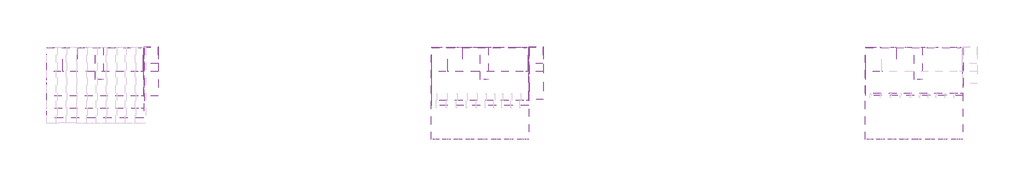
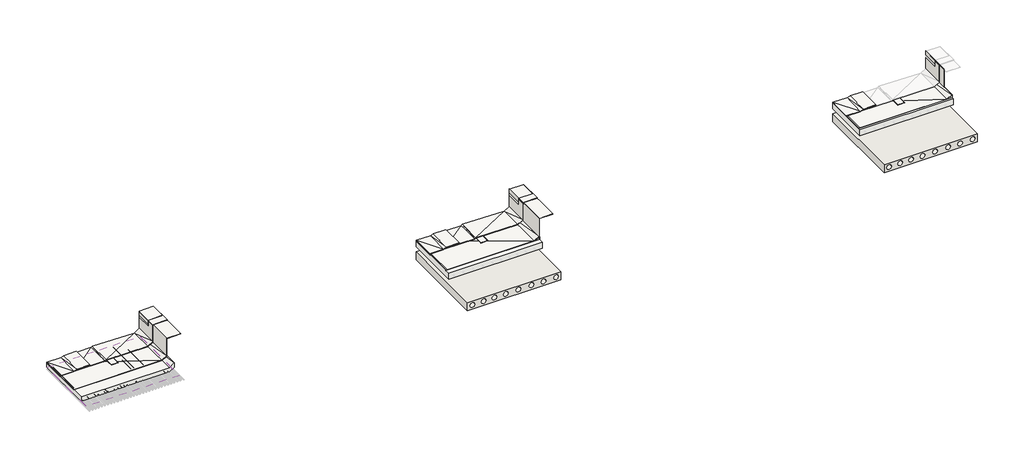
# One storey, part 1 of 2: 22 slabs, 11 walls, 1 covering.
"""IFC4 building model written with IfcOpenShell, lengths in millimetres."""

from ifc_helpers import new_model, si_unit, point, frame, frame_2d, origin, place, context, project, spatial, polyline, circle_curve, trimmed, segment, composite_curve, outline, extrude, faceted_brep, element, save

model = new_model("IFC4")

# Units and contexts
model_context = context("Model", 3, world=origin())
ifc_project = project(units=[si_unit("LENGTHUNIT", "METRE", prefix="MILLI")], contexts=[model_context])

# Site, building, storey
site = spatial("IfcSite", under=ifc_project)
building = spatial("IfcBuilding", under=site)
storey = spatial("IfcBuildingStorey", under=building, Elevation=0.0)

# Covering
placement = place(None, origin())
element("IfcCovering", 1, at=placement, inside=storey, context=model_context, shape_type="SweptSolid", body=[
    extrude(outline(polyline([(-14927.9698848, 9389.2447161), (-14927.9698848, 13789.2447161), (-8927.9698848, 13789.2447161), (-8927.9698848, 9389.2447161), (-14927.9698848, 9389.2447161)])), frame((0.0, 0.0, 2812.7066929), z_axis=(0.0, 0.0, 1.0), x_axis=(1.0, 0.0, 0.0)), (0.0, 0.0, 1.0), 14.0),
])

# Slabs
element("IfcSlab", 2, at=placement, inside=storey, context=model_context, shape_type="SweptSolid", body=[
    extrude(outline(polyline([(8835.4090394, 10149.2447161), (8835.4090394, 13769.2447161), (14835.4090394, 13769.2447161), (14835.4090394, 10149.2447161), (8835.4090394, 10149.2447161)])), frame((0.0, 0.0, 2689.492241), z_axis=(0.0, 0.0, 1.0), x_axis=(1.0, 0.0, 0.0)), (0.0, 0.0, 1.0), 400.0),
])
element("IfcSlab", 3, at=placement, inside=storey, context=model_context, shape_type="Brep", body=[
    faceted_brep([(8855.4090394, 13765.0643227, 2785.645861), (8855.4090394, 13765.0643227, 3085.645861), (14532.7395838, 13765.0643227, 3085.645861), (14855.4090394, 13765.0643227, 3265.645861), (14855.4090394, 13765.0643227, 2965.645861), (14532.7395838, 13765.0643227, 2785.645861), (14855.4090394, 10469.2447161, 3280.913375), (14855.4090394, 10469.2447161, 2980.913375), (14532.7395838, 10469.2447161, 3085.645861), (8855.4090394, 10469.2447161, 3085.645861), (8855.4090394, 10469.2447161, 2785.645861), (14532.7395838, 10469.2447161, 2785.645861)], [[[0, 1, 2, 3, 4, 5]], [[4, 3, 6, 7]], [[7, 6, 8, 9, 10, 11]], [[10, 9, 1, 0]], [[9, 8, 2, 1]], [[10, 0, 5, 11]], [[6, 3, 2]], [[6, 2, 8]], [[7, 5, 4]], [[7, 11, 5]]]),
])
element("IfcSlab", 4, at=placement, inside=storey, context=model_context, shape_type="Brep", body=[
    faceted_brep([(8835.4090394, 13746.0209417, 3078.492241), (8835.4090394, 13746.0209417, 3089.492241), (14511.4733946, 13746.0209417, 3089.492241), (14835.4090394, 13746.0209417, 3271.0184603), (14835.4090394, 13746.0209417, 3260.0184603), (14511.4733946, 13746.0209417, 3078.492241), (14835.4090394, 10469.2447161, 3296.0960774), (14835.4090394, 10469.2447161, 3285.0960774), (14511.4733946, 10469.2447161, 3106.0960774), (8835.4090394, 10469.2447161, 3089.492241), (8835.4090394, 10469.2447161, 3078.492241), (14511.4733946, 10469.2447161, 3095.0960774)], [[[0, 1, 2, 3, 4, 5]], [[4, 3, 6, 7]], [[7, 6, 8, 9, 10, 11]], [[10, 9, 1, 0]], [[9, 8, 1]], [[10, 0, 11]], [[6, 3, 2]], [[7, 5, 4]], [[6, 2, 8]], [[7, 11, 5]], [[1, 8, 2]], [[0, 5, 11]]]),
])
element("IfcSlab", 5, at=placement, inside=storey, context=model_context, shape_type="SweptSolid", body=[
    extrude(outline(polyline([(14835.4090394, 13817.1364417), (15735.4090394, 13817.1364417), (15735.4090394, 10517.1364417), (14835.4090394, 10517.1364417), (14835.4090394, 13817.1364417)])), frame((0.0, 0.0, 4471.3880309), z_axis=(0.0, 0.0, 1.0), x_axis=(1.0, 0.0, 0.0)), (0.0, 0.0, 1.0), 11.0),
])
element("IfcSlab", 6, at=placement, inside=storey, context=model_context, shape_type="Brep", body=[
    faceted_brep([(11835.4090394, 13769.2447161, 3107.4958172), (11835.4090394, 13769.2447161, 3118.4958172), (12249.2992075, 13769.2447161, 3118.4958172), (12335.4090394, 13769.2447161, 3084.492241), (12335.4090394, 13769.2447161, 3073.492241), (12249.2992075, 13769.2447161, 3107.4958172), (12335.4090394, 11769.2447161, 3094.7308109), (12335.4090394, 11769.2447161, 3083.7308109), (12249.2992075, 11769.2447161, 3118.4958172), (11835.4090394, 11769.2447161, 3118.4958172), (11835.4090394, 11769.2447161, 3107.4958172), (12249.2992075, 11769.2447161, 3107.4958172)], [[[0, 1, 2, 3, 4, 5]], [[4, 3, 6, 7]], [[7, 6, 8, 9, 10, 11]], [[10, 9, 1, 0]], [[9, 8, 2, 1]], [[10, 0, 5, 11]], [[6, 3, 8]], [[7, 11, 4]], [[3, 2, 8]], [[4, 11, 5]]]),
])
element("IfcSlab", 7, at=placement, inside=storey, context=model_context, shape_type="Brep", body=[
    faceted_brep([(9835.4090394, 13769.2447161, 3093.4958172), (9835.4090394, 13769.2447161, 3123.4958172), (11713.5480182, 13769.2447161, 3128.8674458), (11789.6551049, 13769.2447161, 3182.3981693), (14487.0088743, 13769.2447161, 3138.4958172), (14835.4090394, 13769.2447161, 3363.4958172), (14835.4090394, 13769.2447161, 3333.4958172), (14487.0088743, 13769.2447161, 3108.4958172), (11789.6551049, 13769.2447161, 3152.3981693), (11713.5480182, 13769.2447161, 3098.8674458), (14835.4090394, 12269.2447161, 3358.4958172), (14835.4090394, 12269.2447161, 3328.4958172), (14487.0088742, 12269.2447161, 3150.4261514), (11805.9231557, 12269.2447161, 3177.1635448), (11713.5480182, 12269.2447161, 3138.4958172), (9835.4090394, 12269.2447161, 3143.4958172), (9835.4090394, 12269.2447161, 3113.4958172), (11713.5480182, 12269.2447161, 3108.4958172), (11805.9231557, 12269.2447161, 3147.1635448), (14487.0088742, 12269.2447161, 3120.4261514)], [[[0, 1, 2, 3, 4, 5, 6, 7, 8, 9]], [[6, 5, 10, 11]], [[11, 10, 12, 13, 14, 15, 16, 17, 18, 19]], [[16, 15, 1, 0]], [[15, 14, 2]], [[16, 9, 17]], [[15, 2, 1]], [[10, 5, 4]], [[16, 0, 9]], [[11, 7, 6]], [[14, 13, 3]], [[17, 8, 18]], [[12, 4, 13]], [[19, 18, 7]], [[10, 4, 12]], [[11, 19, 7]], [[4, 3, 13]], [[7, 18, 8]], [[14, 3, 2]], [[17, 9, 8]]]),
])
element("IfcSlab", 8, at=placement, inside=storey, context=model_context, shape_type="SweptSolid", body=[
    extrude(outline(polyline([(14805.4090394, 13769.2447161), (15745.4090394, 13769.2447161), (15745.4090394, 12269.2447161), (14805.4090394, 12269.2447161), (14805.4090394, 13769.2447161)])), frame((0.0, 0.0, 4473.4902066), z_axis=(0.0, 0.0, 1.0), x_axis=(1.0, 0.0, 0.0)), (0.0, 0.0, 1.0), 30.0),
])
element("IfcSlab", 9, at=placement, inside=storey, context=model_context, shape_type="SweptSolid", body=[
    extrude(outline(polyline([(14805.4090394, 13769.2447161), (15705.4090394, 13769.2447161), (15705.4090394, 12769.2447161), (14805.4090394, 12769.2447161), (14805.4090394, 13769.2447161)])), frame((0.0, 0.0, 4118.4958172), z_axis=(0.0, 0.0, 1.0), x_axis=(1.0, 0.0, 0.0)), (0.0, 0.0, 1.0), 400.0),
])
element("IfcSlab", 10, at=placement, inside=storey, context=model_context, shape_type="Brep", body=[
    faceted_brep([(10735.4090394, 12269.2447161, 3168.4958172), (10735.4090394, 12269.2447161, 3198.4958172), (9902.4172289, 12269.2447161, 3198.4958172), (9713.9671645, 12269.2447161, 3128.4958172), (8835.4090394, 12269.2447161, 3123.4958172), (8835.4090394, 12269.2447161, 3093.4958172), (9713.9671645, 12269.2447161, 3098.4958172), (9902.4172289, 12269.2447161, 3168.4958172), (8835.4090394, 13769.2447161, 3123.4958172), (8835.4090394, 13769.2447161, 3093.4958172), (9757.9745418, 13769.2447161, 3123.4958172), (9939.073186, 13769.2447161, 3203.4958172), (10735.4090394, 13769.2447161, 3203.4958172), (10735.4090394, 13769.2447161, 3173.4958172), (9939.073186, 13769.2447161, 3173.4958172), (9757.9745418, 13769.2447161, 3093.4958172)], [[[0, 1, 2, 3, 4, 5, 6, 7]], [[5, 4, 8, 9]], [[9, 8, 10, 11, 12, 13, 14, 15]], [[13, 12, 1, 0]], [[12, 11, 2, 1]], [[13, 0, 7, 14]], [[8, 4, 3]], [[8, 3, 10]], [[3, 2, 10]], [[9, 6, 5]], [[9, 15, 6]], [[6, 15, 7]], [[10, 2, 11]], [[15, 14, 7]]]),
])
element("IfcSlab", 11, at=placement, inside=storey, context=model_context, shape_type="Brep", body=[
    faceted_brep([(-14924.9802693, 13765.0643227, 2822.1500438), (-14924.9802693, 13765.0643227, 3122.1500438), (-9247.6497248, 13765.0643227, 3122.1500438), (-8924.9802693, 13765.0643227, 3302.1500438), (-8924.9802693, 13765.0643227, 3002.1500438), (-9247.6497248, 13765.0643227, 2822.1500438), (-8924.9802693, 9965.0643227, 3317.4175578), (-8924.9802693, 9965.0643227, 3017.4175578), (-9247.6497248, 9965.0643227, 3122.1500438), (-14924.9802693, 9965.0643227, 3122.1500438), (-14924.9802693, 9965.0643227, 2822.1500438), (-9247.6497248, 9965.0643227, 2822.1500438)], [[[0, 1, 2, 3, 4, 5]], [[4, 3, 6, 7]], [[7, 6, 8, 9, 10, 11]], [[10, 9, 1, 0]], [[9, 8, 2, 1]], [[10, 0, 5, 11]], [[6, 3, 2]], [[6, 2, 8]], [[7, 5, 4]], [[7, 11, 5]]]),
])
element("IfcSlab", 12, at=placement, inside=storey, context=model_context, shape_type="Brep", body=[
    faceted_brep([(-14944.9802693, 13746.0209417, 3114.9964238), (-14944.9802693, 13746.0209417, 3125.9964238), (-9268.915914, 13746.0209417, 3125.9964238), (-8944.9802693, 13746.0209417, 3307.5226431), (-8944.9802693, 13746.0209417, 3296.5226431), (-9268.915914, 13746.0209417, 3114.9964238), (-8944.9802693, 10746.0209417, 3332.6002602), (-8944.9802693, 10746.0209417, 3321.6002602), (-9268.915914, 10746.0209417, 3142.6002602), (-14944.9802693, 10746.0209417, 3125.9964238), (-14944.9802693, 10746.0209417, 3114.9964238), (-9268.915914, 10746.0209417, 3131.6002602)], [[[0, 1, 2, 3, 4, 5]], [[4, 3, 6, 7]], [[7, 6, 8, 9, 10, 11]], [[10, 9, 1, 0]], [[9, 8, 1]], [[10, 0, 11]], [[6, 3, 2]], [[7, 5, 4]], [[6, 2, 8]], [[7, 11, 5]], [[1, 8, 2]], [[0, 5, 11]]]),
])
element("IfcSlab", 13, at=placement, inside=storey, context=model_context, shape_type="SweptSolid", body=[
    extrude(outline(polyline([(-8944.9802693, 13817.1364417), (-8044.9802693, 13817.1364417), (-8044.9802693, 10749.2447161), (-8944.9802693, 10749.2447161), (-8944.9802693, 13817.1364417)])), frame((0.0, 0.0, 4507.8922137), z_axis=(0.0, 0.0, 1.0), x_axis=(1.0, 0.0, 0.0)), (0.0, 0.0, 1.0), 11.0),
])
element("IfcSlab", 14, at=placement, inside=storey, context=model_context, shape_type="Brep", body=[
    faceted_brep([(-11944.9802693, 13769.2447161, 3144.0), (-11944.9802693, 13769.2447161, 3155.0), (-11531.0901012, 13769.2447161, 3155.0), (-11444.9802693, 13769.2447161, 3120.9964238), (-11444.9802693, 13769.2447161, 3109.9964238), (-11531.0901012, 13769.2447161, 3144.0), (-11444.9802693, 11769.2447161, 3131.2349937), (-11444.9802693, 11769.2447161, 3120.2349937), (-11531.0901012, 11769.2447161, 3155.0), (-11944.9802693, 11769.2447161, 3155.0), (-11944.9802693, 11769.2447161, 3144.0), (-11531.0901012, 11769.2447161, 3144.0)], [[[0, 1, 2, 3, 4, 5]], [[4, 3, 6, 7]], [[7, 6, 8, 9, 10, 11]], [[10, 9, 1, 0]], [[9, 8, 2, 1]], [[10, 0, 5, 11]], [[6, 3, 8]], [[7, 11, 4]], [[3, 2, 8]], [[4, 11, 5]]]),
])
element("IfcSlab", 15, at=placement, inside=storey, context=model_context, shape_type="Brep", body=[
    faceted_brep([(-13944.9802693, 13769.2447161, 3130.0), (-13944.9802693, 13769.2447161, 3160.0), (-12066.8412905, 13769.2447161, 3165.3716286), (-11990.7342038, 13769.2447161, 3218.9023521), (-9293.3804344, 13769.2447161, 3175.0), (-8944.9802693, 13769.2447161, 3400.0), (-8944.9802693, 13769.2447161, 3370.0), (-9293.3804344, 13769.2447161, 3145.0), (-11990.7342038, 13769.2447161, 3188.9023521), (-12066.8412905, 13769.2447161, 3135.3716286), (-8944.9802693, 12269.2447161, 3395.0), (-8944.9802693, 12269.2447161, 3365.0), (-9293.3804344, 12269.2447161, 3186.9303342), (-11974.466153, 12269.2447161, 3213.6677275), (-12066.8412905, 12269.2447161, 3175.0), (-13944.9802693, 12269.2447161, 3180.0), (-13944.9802693, 12269.2447161, 3150.0), (-12066.8412905, 12269.2447161, 3145.0), (-11974.466153, 12269.2447161, 3183.6677275), (-9293.3804344, 12269.2447161, 3156.9303342)], [[[0, 1, 2, 3, 4, 5, 6, 7, 8, 9]], [[6, 5, 10, 11]], [[11, 10, 12, 13, 14, 15, 16, 17, 18, 19]], [[16, 15, 1, 0]], [[15, 14, 2]], [[16, 9, 17]], [[15, 2, 1]], [[10, 5, 4]], [[16, 0, 9]], [[11, 7, 6]], [[14, 13, 3]], [[17, 8, 18]], [[12, 4, 13]], [[19, 18, 7]], [[10, 4, 12]], [[11, 19, 7]], [[4, 3, 13]], [[7, 18, 8]], [[14, 3, 2]], [[17, 9, 8]]]),
])
element("IfcSlab", 16, at=placement, inside=storey, context=model_context, shape_type="SweptSolid", body=[
    extrude(outline(polyline([(-8974.9802693, 13769.2447161), (-8034.9802693, 13769.2447161), (-8034.9802693, 12269.2447161), (-8974.9802693, 12269.2447161), (-8974.9802693, 13769.2447161)])), frame((0.0, 0.0, 4509.9943894), z_axis=(0.0, 0.0, 1.0), x_axis=(1.0, 0.0, 0.0)), (0.0, 0.0, 1.0), 30.0),
])
element("IfcSlab", 17, at=placement, inside=storey, context=model_context, shape_type="SweptSolid", body=[
    extrude(outline(polyline([(-8974.9802693, 13769.2447161), (-8074.9802693, 13769.2447161), (-8074.9802693, 12769.2447161), (-8974.9802693, 12769.2447161), (-8974.9802693, 13769.2447161)])), frame((0.0, 0.0, 4155.0), z_axis=(0.0, 0.0, 1.0), x_axis=(1.0, 0.0, 0.0)), (0.0, 0.0, 1.0), 400.0),
])
element("IfcSlab", 18, at=placement, inside=storey, context=model_context, shape_type="Brep", body=[
    faceted_brep([(-13044.9802693, 12269.2447161, 3205.0), (-13044.9802693, 12269.2447161, 3235.0), (-13877.9720797, 12269.2447161, 3235.0), (-14066.4221441, 12269.2447161, 3165.0), (-14944.9802693, 12269.2447161, 3160.0), (-14944.9802693, 12269.2447161, 3130.0), (-14066.4221441, 12269.2447161, 3135.0), (-13877.9720797, 12269.2447161, 3205.0), (-14944.9802693, 13769.2447161, 3160.0), (-14944.9802693, 13769.2447161, 3130.0), (-14022.4147668, 13769.2447161, 3160.0), (-13841.3161226, 13769.2447161, 3240.0), (-13044.9802693, 13769.2447161, 3240.0), (-13044.9802693, 13769.2447161, 3210.0), (-13841.3161226, 13769.2447161, 3210.0), (-14022.4147668, 13769.2447161, 3130.0)], [[[0, 1, 2, 3, 4, 5, 6, 7]], [[5, 4, 8, 9]], [[9, 8, 10, 11, 12, 13, 14, 15]], [[13, 12, 1, 0]], [[12, 11, 2, 1]], [[13, 0, 7, 14]], [[8, 4, 3]], [[8, 3, 10]], [[3, 2, 10]], [[9, 6, 5]], [[9, 15, 6]], [[6, 15, 7]], [[10, 2, 11]], [[15, 14, 7]]]),
])
element("IfcSlab", 19, at=placement, inside=storey, context=model_context, shape_type="SweptSolid", body=[
    extrude(outline(polyline([(35635.4090394, 10769.2447161), (35635.4090394, 13769.2447161), (41635.4090394, 13769.2447161), (41635.4090394, 10769.2447161), (35635.4090394, 10769.2447161)])), frame((0.0, 0.0, 2689.492241), z_axis=(0.0, 0.0, 1.0), x_axis=(1.0, 0.0, 0.0)), (0.0, 0.0, 1.0), 400.0),
])
element("IfcSlab", 20, at=placement, inside=storey, context=model_context, shape_type="Brep", body=[
    faceted_brep([(35655.4090394, 13765.0643227, 2785.645861), (35655.4090394, 13765.0643227, 3085.645861), (41332.7395838, 13765.0643227, 3085.645861), (41655.4090394, 13765.0643227, 3265.645861), (41655.4090394, 13765.0643227, 2965.645861), (41332.7395838, 13765.0643227, 2785.645861), (41655.4090394, 10909.2447161, 3280.913375), (41655.4090394, 10909.2447161, 2980.913375), (41332.7395838, 10909.2447161, 3085.645861), (35655.4090394, 10909.2447161, 3085.645861), (35655.4090394, 10909.2447161, 2785.645861), (41332.7395838, 10909.2447161, 2785.645861)], [[[0, 1, 2, 3, 4, 5]], [[4, 3, 6, 7]], [[7, 6, 8, 9, 10, 11]], [[10, 9, 1, 0]], [[9, 8, 2, 1]], [[10, 0, 5, 11]], [[6, 3, 2]], [[6, 2, 8]], [[7, 5, 4]], [[7, 11, 5]]]),
])
element("IfcSlab", 21, at=placement, inside=storey, context=model_context, shape_type="Brep", body=[
    faceted_brep([(35635.4090394, 13746.0209417, 3078.492241), (35635.4090394, 13746.0209417, 3089.492241), (41311.4733946, 13746.0209417, 3089.492241), (41635.4090394, 13746.0209417, 3271.0184603), (41635.4090394, 13746.0209417, 3260.0184603), (41311.4733946, 13746.0209417, 3078.492241), (41635.4090394, 10909.2447161, 3296.0960774), (41635.4090394, 10909.2447161, 3285.0960774), (41311.4733946, 10909.2447161, 3106.0960774), (35635.4090394, 10909.2447161, 3089.492241), (35635.4090394, 10909.2447161, 3078.492241), (41311.4733946, 10909.2447161, 3095.0960774)], [[[0, 1, 2, 3, 4, 5]], [[4, 3, 6, 7]], [[7, 6, 8, 9, 10, 11]], [[10, 9, 1, 0]], [[9, 8, 1]], [[10, 0, 11]], [[6, 3, 2]], [[7, 5, 4]], [[6, 2, 8]], [[7, 11, 5]], [[1, 8, 2]], [[0, 5, 11]]]),
])
element("IfcSlab", 22, at=placement, inside=storey, context=model_context, shape_type="Brep", body=[
    faceted_brep([(38635.4090394, 13769.2447161, 3107.4958172), (38635.4090394, 13769.2447161, 3118.4958172), (39049.2992075, 13769.2447161, 3118.4958172), (39135.4090394, 13769.2447161, 3084.492241), (39135.4090394, 13769.2447161, 3073.492241), (39049.2992075, 13769.2447161, 3107.4958172), (39135.4090394, 11769.2447161, 3094.7308109), (39135.4090394, 11769.2447161, 3083.7308109), (39049.2992075, 11769.2447161, 3118.4958172), (38635.4090394, 11769.2447161, 3118.4958172), (38635.4090394, 11769.2447161, 3107.4958172), (39049.2992075, 11769.2447161, 3107.4958172)], [[[0, 1, 2, 3, 4, 5]], [[4, 3, 6, 7]], [[7, 6, 8, 9, 10, 11]], [[10, 9, 1, 0]], [[9, 8, 2, 1]], [[10, 0, 5, 11]], [[6, 3, 8]], [[7, 11, 4]], [[3, 2, 8]], [[4, 11, 5]]]),
])
element("IfcSlab", 23, at=placement, inside=storey, context=model_context, shape_type="Brep", body=[
    faceted_brep([(37535.4090394, 12269.2447161, 3168.4958172), (37535.4090394, 12269.2447161, 3198.4958172), (36702.4172289, 12269.2447161, 3198.4958172), (36513.9671645, 12269.2447161, 3128.4958172), (35635.4090394, 12269.2447161, 3123.4958172), (35635.4090394, 12269.2447161, 3093.4958172), (36513.9671645, 12269.2447161, 3098.4958172), (36702.4172289, 12269.2447161, 3168.4958172), (35635.4090394, 13769.2447161, 3123.4958172), (35635.4090394, 13769.2447161, 3093.4958172), (36557.9745418, 13769.2447161, 3123.4958172), (36739.073186, 13769.2447161, 3203.4958172), (37535.4090394, 13769.2447161, 3203.4958172), (37535.4090394, 13769.2447161, 3173.4958172), (36739.073186, 13769.2447161, 3173.4958172), (36557.9745418, 13769.2447161, 3093.4958172)], [[[0, 1, 2, 3, 4, 5, 6, 7]], [[5, 4, 8, 9]], [[9, 8, 10, 11, 12, 13, 14, 15]], [[13, 12, 1, 0]], [[12, 11, 2, 1]], [[13, 0, 7, 14]], [[8, 4, 3]], [[8, 3, 10]], [[3, 2, 10]], [[9, 6, 5]], [[9, 15, 6]], [[6, 15, 7]], [[10, 2, 11]], [[15, 14, 7]]]),
])

# Walls
element("IfcWall", 24, at=placement, inside=storey, context=model_context, shape_type="SweptSolid", body=[
    extrude(outline(polyline([(14825.4090394, 10469.2447161), (14825.4090394, 13769.2447161), (14835.4090394, 13769.2447161), (14835.4090394, 10469.2447161), (14825.4090394, 10469.2447161)])), frame((0.0, 0.0, 3117.4175578), z_axis=(0.0, 0.0, 1.0), x_axis=(1.0, 0.0, 0.0)), (0.0, 0.0, 1.0), 1401.474656),
])
element("IfcWall", 25, at=placement, inside=storey, context=model_context, shape_type="SweptSolid", body=[
    extrude(outline(polyline([(14810.4090394, 12269.2447161), (14810.4090394, 13769.2447161), (14820.4090394, 13769.2447161), (14820.4090394, 12269.2447161), (14810.4090394, 12269.2447161)])), frame((0.0, 0.0, 3363.0551707), z_axis=(0.0, 0.0, 1.0), x_axis=(1.0, 0.0, 0.0)), (0.0, 0.0, 1.0), 1155.837043),
])
element("IfcWall", 26, at=placement, inside=storey, context=model_context, shape_type="SweptSolid", body=[
    extrude(outline(polyline([(14800.4090394, 12769.2447161), (14800.4090394, 13769.2447161), (14810.4090394, 13769.2447161), (14810.4090394, 12769.2447161), (14800.4090394, 12769.2447161)])), frame((0.0, 0.0, 4283.0469309), z_axis=(0.0, 0.0, 1.0), x_axis=(1.0, 0.0, 0.0)), (0.0, 0.0, 1.0), 256.9474584),
])
element("IfcWall", 27, at=placement, inside=storey, context=model_context, shape_type="SweptSolid", body=[
    extrude(outline(polyline([(1831.9279407, 14825.4090394), (2375.4420627, 14825.4090394), (2375.4420627, 8817.2384277), (1831.9279407, 8817.2384277), (1831.9279407, 14825.4090394)]), holes=[composite_curve([segment(trimmed(circle_curve(frame_2d((2103.2464683, 9139.2971211)), 160.0), [point((2103.2464683, 8979.2971211))], [point((2103.2464683, 9299.2971211))], True, "CARTESIAN"), True, "CONTINUOUS"), segment(trimmed(circle_curve(frame_2d((2103.2464683, 9139.2971211)), 160.0), [point((2103.2464683, 9299.2971211))], [point((2103.2464683, 8979.2971211))], True, "CARTESIAN"), True, "CONTINUOUS")], self_intersect=False), composite_curve([segment(trimmed(circle_curve(frame_2d((2103.2464683, 9859.2971211)), 160.0), [point((2103.2464683, 9699.2971211))], [point((2103.2464683, 10019.2971211))], True, "CARTESIAN"), True, "CONTINUOUS"), segment(trimmed(circle_curve(frame_2d((2103.2464683, 9859.2971211)), 160.0), [point((2103.2464683, 10019.2971211))], [point((2103.2464683, 9699.2971211))], True, "CARTESIAN"), True, "CONTINUOUS")], self_intersect=False), composite_curve([segment(trimmed(circle_curve(frame_2d((2103.2464683, 10559.2971211)), 160.0), [point((2103.2464683, 10399.2971211))], [point((2103.2464683, 10719.2971211))], True, "CARTESIAN"), True, "CONTINUOUS"), segment(trimmed(circle_curve(frame_2d((2103.2464683, 10559.2971211)), 160.0), [point((2103.2464683, 10719.2971211))], [point((2103.2464683, 10399.2971211))], True, "CARTESIAN"), True, "CONTINUOUS")], self_intersect=False), composite_curve([segment(trimmed(circle_curve(frame_2d((2103.2464683, 11299.2971211)), 160.0), [point((2103.2464683, 11139.2971211))], [point((2103.2464683, 11459.2971211))], True, "CARTESIAN"), True, "CONTINUOUS"), segment(trimmed(circle_curve(frame_2d((2103.2464683, 11299.2971211)), 160.0), [point((2103.2464683, 11459.2971211))], [point((2103.2464683, 11139.2971211))], True, "CARTESIAN"), True, "CONTINUOUS")], self_intersect=False), composite_curve([segment(trimmed(circle_curve(frame_2d((2115.2667994, 12099.2971211)), 160.0), [point((2115.2667994, 11939.2971211))], [point((2115.2667994, 12259.2971211))], True, "CARTESIAN"), True, "CONTINUOUS"), segment(trimmed(circle_curve(frame_2d((2115.2667994, 12099.2971211)), 160.0), [point((2115.2667994, 12259.2971211))], [point((2115.2667994, 11939.2971211))], True, "CARTESIAN"), True, "CONTINUOUS")], self_intersect=False), composite_curve([segment(trimmed(circle_curve(frame_2d((2115.2667994, 12939.2971211)), 160.0), [point((2115.2667994, 12779.2971211))], [point((2115.2667994, 13099.2971211))], True, "CARTESIAN"), True, "CONTINUOUS"), segment(trimmed(circle_curve(frame_2d((2115.2667994, 12939.2971211)), 160.0), [point((2115.2667994, 13099.2971211))], [point((2115.2667994, 12779.2971211))], True, "CARTESIAN"), True, "CONTINUOUS")], self_intersect=False), composite_curve([segment(trimmed(circle_curve(frame_2d((2103.8953114, 13716.0163729)), 160.0), [point((2103.8953114, 13556.0163729))], [point((2103.8953114, 13876.0163729))], True, "CARTESIAN"), True, "CONTINUOUS"), segment(trimmed(circle_curve(frame_2d((2103.8953114, 13716.0163729)), 160.0), [point((2103.8953114, 13876.0163729))], [point((2103.8953114, 13556.0163729))], True, "CARTESIAN"), True, "CONTINUOUS")], self_intersect=False), composite_curve([segment(trimmed(circle_curve(frame_2d((2103.2464683, 14519.2971211)), 160.0), [point((2103.2464683, 14359.2971211))], [point((2103.2464683, 14679.2971211))], True, "CARTESIAN"), True, "CONTINUOUS"), segment(trimmed(circle_curve(frame_2d((2103.2464683, 14519.2971211)), 160.0), [point((2103.2464683, 14679.2971211))], [point((2103.2464683, 14359.2971211))], True, "CARTESIAN"), True, "CONTINUOUS")], self_intersect=False)]), frame((0.0, 8049.2447161, 0.0), z_axis=(0.0, 1.0, 0.0), x_axis=(0.0, 0.0, 1.0)), (0.0, 0.0, 1.0), 5720.0),
])
element("IfcWall", 28, at=placement, inside=storey, context=model_context, shape_type="SweptSolid", body=[
    extrude(outline(polyline([(-8954.9802693, 10749.2447161), (-8954.9802693, 13769.2447161), (-8944.9802693, 13769.2447161), (-8944.9802693, 10749.2447161), (-8954.9802693, 10749.2447161)])), frame((0.0, 0.0, 3117.4175578), z_axis=(0.0, 0.0, 1.0), x_axis=(1.0, 0.0, 0.0)), (0.0, 0.0, 1.0), 1401.474656),
])
element("IfcWall", 29, at=placement, inside=storey, context=model_context, shape_type="SweptSolid", body=[
    extrude(outline(polyline([(-8969.9802693, 12269.2447161), (-8969.9802693, 13769.2447161), (-8959.9802693, 13769.2447161), (-8959.9802693, 12269.2447161), (-8969.9802693, 12269.2447161)])), frame((0.0, 0.0, 3363.0551707), z_axis=(0.0, 0.0, 1.0), x_axis=(1.0, 0.0, 0.0)), (0.0, 0.0, 1.0), 1155.837043),
])
element("IfcWall", 30, at=placement, inside=storey, context=model_context, shape_type="SweptSolid", body=[
    extrude(outline(polyline([(-8979.9802693, 12769.2447161), (-8979.9802693, 13769.2447161), (-8969.9802693, 13769.2447161), (-8969.9802693, 12769.2447161), (-8979.9802693, 12769.2447161)])), frame((0.0, 0.0, 4283.0469309), z_axis=(0.0, 0.0, 1.0), x_axis=(1.0, 0.0, 0.0)), (0.0, 0.0, 1.0), 256.9474584),
])
element("IfcWall", 31, at=placement, inside=storey, context=model_context, shape_type="SweptSolid", body=[
    extrude(outline(polyline([(41625.4090394, 11746.0209417), (41625.4090394, 13769.2447161), (41635.4090394, 13769.2447161), (41635.4090394, 11746.0209417), (41625.4090394, 11746.0209417)])), frame((0.0, 0.0, 3117.4175578), z_axis=(0.0, 0.0, 1.0), x_axis=(1.0, 0.0, 0.0)), (0.0, 0.0, 1.0), 1401.474656),
])
element("IfcWall", 32, at=placement, inside=storey, context=model_context, shape_type="SweptSolid", body=[
    extrude(outline(polyline([(41610.4090394, 12269.2447161), (41610.4090394, 13769.2447161), (41620.4090394, 13769.2447161), (41620.4090394, 12269.2447161), (41610.4090394, 12269.2447161)])), frame((0.0, 0.0, 3363.0551707), z_axis=(0.0, 0.0, 1.0), x_axis=(1.0, 0.0, 0.0)), (0.0, 0.0, 1.0), 1155.837043),
])
element("IfcWall", 33, at=placement, inside=storey, context=model_context, shape_type="SweptSolid", body=[
    extrude(outline(polyline([(41600.4090394, 12769.2447161), (41600.4090394, 13769.2447161), (41610.4090394, 13769.2447161), (41610.4090394, 12769.2447161), (41600.4090394, 12769.2447161)])), frame((0.0, 0.0, 4283.0469309), z_axis=(0.0, 0.0, 1.0), x_axis=(1.0, 0.0, 0.0)), (0.0, 0.0, 1.0), 256.9474584),
])
element("IfcWall", 34, at=placement, inside=storey, context=model_context, shape_type="SweptSolid", body=[
    extrude(outline(polyline([(1831.9279407, 41625.4090394), (2375.4420627, 41625.4090394), (2375.4420627, 35617.2384277), (1831.9279407, 35617.2384277), (1831.9279407, 41625.4090394)]), holes=[composite_curve([segment(trimmed(circle_curve(frame_2d((2103.2464683, 35939.2971211)), 160.0), [point((2103.2464683, 35779.2971211))], [point((2103.2464683, 36099.2971211))], True, "CARTESIAN"), True, "CONTINUOUS"), segment(trimmed(circle_curve(frame_2d((2103.2464683, 35939.2971211)), 160.0), [point((2103.2464683, 36099.2971211))], [point((2103.2464683, 35779.2971211))], True, "CARTESIAN"), True, "CONTINUOUS")], self_intersect=False), composite_curve([segment(trimmed(circle_curve(frame_2d((2103.2464683, 36659.2971211)), 160.0), [point((2103.2464683, 36499.2971211))], [point((2103.2464683, 36819.2971211))], True, "CARTESIAN"), True, "CONTINUOUS"), segment(trimmed(circle_curve(frame_2d((2103.2464683, 36659.2971211)), 160.0), [point((2103.2464683, 36819.2971211))], [point((2103.2464683, 36499.2971211))], True, "CARTESIAN"), True, "CONTINUOUS")], self_intersect=False), composite_curve([segment(trimmed(circle_curve(frame_2d((2103.2464683, 37359.2971211)), 160.0), [point((2103.2464683, 37199.2971211))], [point((2103.2464683, 37519.2971211))], True, "CARTESIAN"), True, "CONTINUOUS"), segment(trimmed(circle_curve(frame_2d((2103.2464683, 37359.2971211)), 160.0), [point((2103.2464683, 37519.2971211))], [point((2103.2464683, 37199.2971211))], True, "CARTESIAN"), True, "CONTINUOUS")], self_intersect=False), composite_curve([segment(trimmed(circle_curve(frame_2d((2103.2464683, 38099.2971211)), 160.0), [point((2103.2464683, 37939.2971211))], [point((2103.2464683, 38259.2971211))], True, "CARTESIAN"), True, "CONTINUOUS"), segment(trimmed(circle_curve(frame_2d((2103.2464683, 38099.2971211)), 160.0), [point((2103.2464683, 38259.2971211))], [point((2103.2464683, 37939.2971211))], True, "CARTESIAN"), True, "CONTINUOUS")], self_intersect=False), composite_curve([segment(trimmed(circle_curve(frame_2d((2115.2667994, 38899.2971211)), 160.0), [point((2115.2667994, 38739.2971211))], [point((2115.2667994, 39059.2971211))], True, "CARTESIAN"), True, "CONTINUOUS"), segment(trimmed(circle_curve(frame_2d((2115.2667994, 38899.2971211)), 160.0), [point((2115.2667994, 39059.2971211))], [point((2115.2667994, 38739.2971211))], True, "CARTESIAN"), True, "CONTINUOUS")], self_intersect=False), composite_curve([segment(trimmed(circle_curve(frame_2d((2115.2667994, 39739.2971211)), 160.0), [point((2115.2667994, 39579.2971211))], [point((2115.2667994, 39899.2971211))], True, "CARTESIAN"), True, "CONTINUOUS"), segment(trimmed(circle_curve(frame_2d((2115.2667994, 39739.2971211)), 160.0), [point((2115.2667994, 39899.2971211))], [point((2115.2667994, 39579.2971211))], True, "CARTESIAN"), True, "CONTINUOUS")], self_intersect=False), composite_curve([segment(trimmed(circle_curve(frame_2d((2103.8953114, 40516.0163729)), 160.0), [point((2103.8953114, 40356.0163729))], [point((2103.8953114, 40676.0163729))], True, "CARTESIAN"), True, "CONTINUOUS"), segment(trimmed(circle_curve(frame_2d((2103.8953114, 40516.0163729)), 160.0), [point((2103.8953114, 40676.0163729))], [point((2103.8953114, 40356.0163729))], True, "CARTESIAN"), True, "CONTINUOUS")], self_intersect=False), composite_curve([segment(trimmed(circle_curve(frame_2d((2103.2464683, 41319.2971211)), 160.0), [point((2103.2464683, 41159.2971211))], [point((2103.2464683, 41479.2971211))], True, "CARTESIAN"), True, "CONTINUOUS"), segment(trimmed(circle_curve(frame_2d((2103.2464683, 41319.2971211)), 160.0), [point((2103.2464683, 41479.2971211))], [point((2103.2464683, 41159.2971211))], True, "CARTESIAN"), True, "CONTINUOUS")], self_intersect=False)]), frame((0.0, 8049.2447161, 0.0), z_axis=(0.0, 1.0, 0.0), x_axis=(0.0, 0.0, 1.0)), (0.0, 0.0, 1.0), 5720.0),
])

save(model, "model.ifc")
